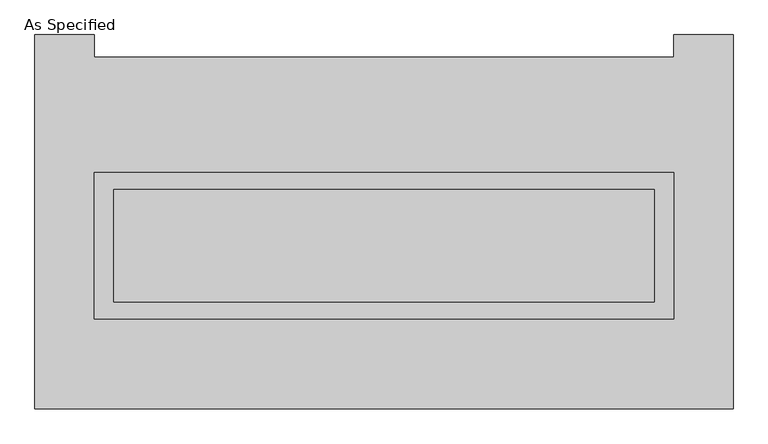
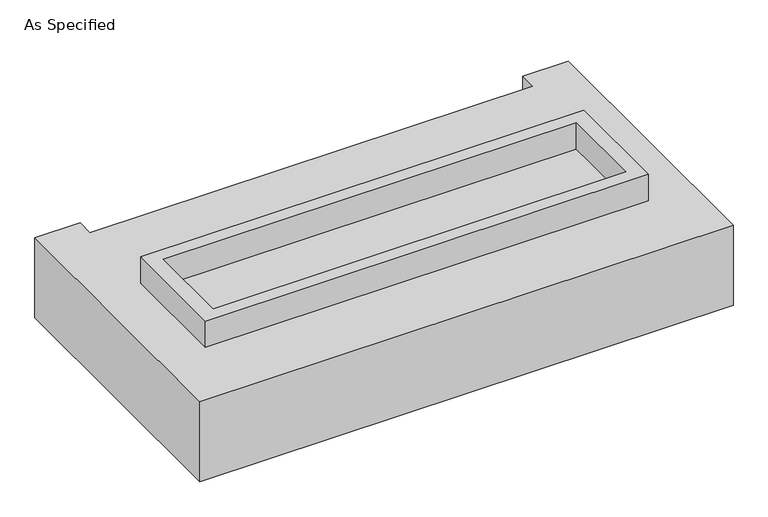
"""IFC4 building model written with IfcOpenShell, lengths in millimetres: proxy geometry, As Specified."""

from ifc_helpers import new_model, si_unit, frame, origin, place, context, project, spatial, polyline, outline, extrude, faceted_brep, source, transform, mapped, element, save


def as_specified_291241b4(model_context):
    return source(origin(), model_context, "Body", "SolidModel", [
        extrude(outline(polyline([(1308.1, 273.05), (1308.1, -387.35), (-1308.1, -387.35), (-1308.1, 273.05), (1308.1, 273.05)]), holes=[polyline([(1219.2, 196.85), (-1219.2, 196.85), (-1219.2, -311.15), (1219.2, -311.15), (1219.2, 196.85)])]), frame((0.0, 0.0, -25.4), z_axis=(0.0, 0.0, 1.0), x_axis=(1.0, 0.0, 0.0)), (0.0, 0.0, 1.0), 165.1),
        extrude(outline(polyline([(1219.2, 196.85), (1219.2, -311.15), (-1219.2, -311.15), (-1219.2, 196.85), (1219.2, 196.85)])), frame((0.0, 0.0, -30.3609375), z_axis=(0.0, 0.0, 1.0), x_axis=(1.0, 0.0, 0.0)), (0.0, 0.0, 1.0), 4.9609375),
        faceted_brep([(1574.8, -793.75, -523.875), (-1574.8, -793.75, -523.875), (-1574.8, 895.35, -523.875), (-1308.1, 895.35, -523.875), (-1308.1, 793.75, -523.875), (1308.1, 793.75, -523.875), (1308.1, 895.35, -523.875), (1574.8, 895.35, -523.875), (-1574.8, -793.75, -25.4), (1574.8, -793.75, -25.4), (1574.8, 895.35, -25.4), (1308.1, 895.35, -25.4), (1308.1, 793.75, -25.4), (-1308.1, 793.75, -25.4), (-1308.1, 895.35, -25.4), (-1574.8, 895.35, -25.4), (-1308.1, -387.35, -25.4), (-1308.1, 273.05, -25.4), (1308.1, 273.05, -25.4), (1308.1, -387.35, -25.4), (1308.1, 273.05, -498.475), (-1308.1, 273.05, -498.475), (-1308.1, -387.35, -498.475), (1308.1, -387.35, -498.475)], [[[0, 1, 2, 3, 4, 5, 6, 7]], [[8, 9, 10, 11, 12, 13, 14, 15], [16, 17, 18, 19]], [[4, 13, 12, 5]], [[1, 8, 15, 2]], [[10, 9, 0, 7]], [[20, 21, 22, 23]], [[22, 21, 17, 16]], [[21, 20, 18, 17]], [[20, 23, 19, 18]], [[16, 19, 23, 22]], [[1, 0, 9, 8]], [[4, 3, 14, 13]], [[3, 2, 15, 14]], [[6, 5, 12, 11]], [[7, 6, 11, 10]]]),
    ])


if __name__ == "__main__":
    model = new_model("IFC4")
    model_context = context("Model", 3, world=origin())
    ifc_project = project(units=[si_unit("LENGTHUNIT", "METRE", prefix="MILLI")], contexts=[model_context])
    site = spatial("IfcSite", under=ifc_project)
    building = spatial("IfcBuilding", under=site)
    placement = place(None, origin())
    as_specified_shape = as_specified_291241b4(model_context)
    element("IfcBuildingElementProxy", 1, Name="As Specified", ObjectType="As Specified", at=placement, inside=building, context=model_context, shape_type="MappedRepresentation", body=[
        mapped(as_specified_shape, transform((0.0, 0.0, 0.0), x_axis=(1.0, 0.0, 0.0), y_axis=(0.0, 1.0, 0.0), z_axis=(0.0, 0.0, 1.0))),
    ])
    save(model, "model.ifc")
